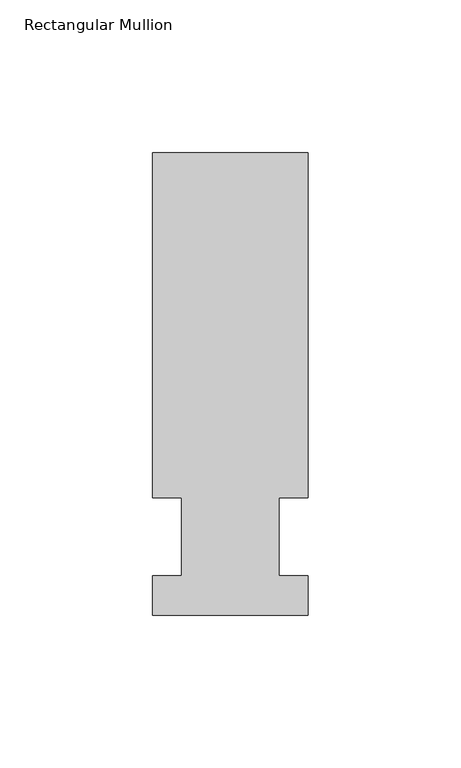
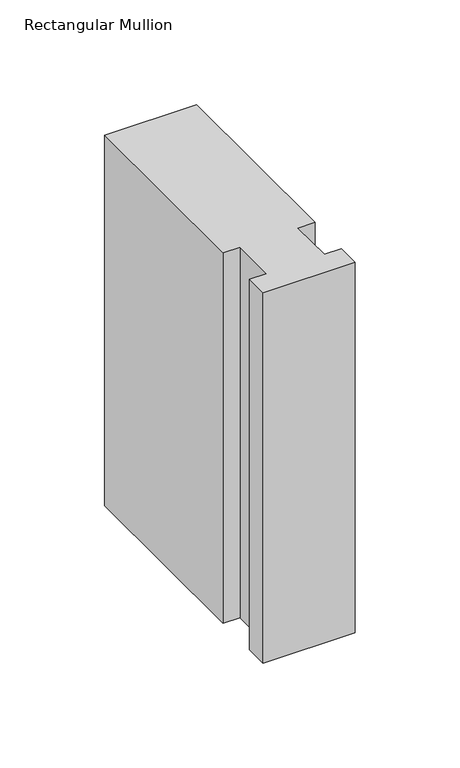
"""IFC4 building model written with IfcOpenShell, lengths in millimetres: member geometry, Rectangular Mullion."""

from ifc_helpers import new_model, si_unit, frame, origin, place, context, project, spatial, polyline, outline, extrude, source, transform, mapped, element, save


def rectangular_mullion_3ab0ed65(model_context):
    return source(origin(), model_context, "Body", "SweptSolid", [
        extrude(outline(polyline([(-25.4, -25.58415), (-25.4, -12.7), (-15.875, -12.7), (-15.875, 12.7), (-25.4, 12.7), (-25.4, 125.59665), (25.4, 125.59665), (25.4, 12.7), (15.875, 12.7), (15.875, -12.7), (25.4, -12.7), (25.4, -25.58415), (-25.4, -25.58415)])), frame((0.0, 0.0, -215.9), z_axis=(0.0, 0.0, 1.0), x_axis=(1.0, 0.0, 0.0)), (0.0, 0.0, 1.0), 215.9),
    ])


if __name__ == "__main__":
    model = new_model("IFC4")
    model_context = context("Model", 3, world=origin())
    ifc_project = project(units=[si_unit("LENGTHUNIT", "METRE", prefix="MILLI")], contexts=[model_context])
    site = spatial("IfcSite", under=ifc_project)
    building = spatial("IfcBuilding", under=site)
    placement = place(None, origin())
    rectangular_mullion_shape = rectangular_mullion_3ab0ed65(model_context)
    element("IfcMember", 1, ObjectType="Rectangular Mullion", at=placement, inside=building, context=model_context, shape_type="MappedRepresentation", body=[
        mapped(rectangular_mullion_shape, transform((0.0, 0.0, 0.0), x_axis=(1.0, 0.0, 0.0), y_axis=(0.0, 1.0, 0.0), z_axis=(0.0, 0.0, 1.0))),
    ])
    save(model, "model.ifc")
